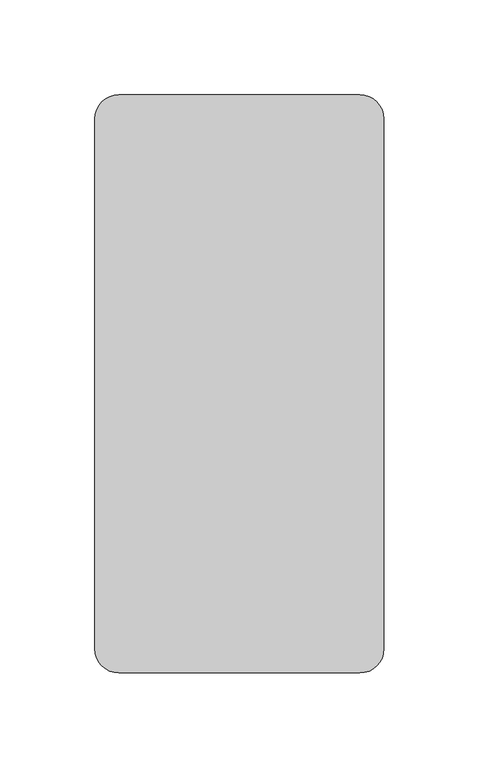
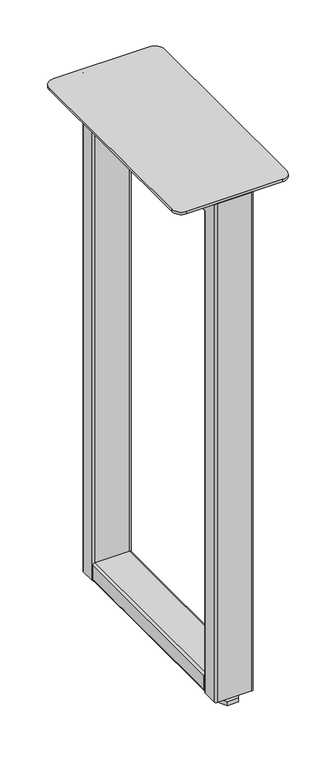
"""IFC4 building model written with IfcOpenShell, lengths in millimetres: furniture geometry."""

from ifc_helpers import new_model, si_unit, point, frame, frame_2d, origin, origin_with_axes, place, context, project, spatial, polyline, circle_curve, ellipse_curve, trimmed, segment, composite_curve, outline, extrude, source, transform, mapped, element, save
from ifc_brep_helpers import plane_surface, cylinder_surface, advanced_brep


def furniture_ec0125d2(model_context):
    return source(origin(), model_context, "Body", "SolidModel", [
        extrude(outline(polyline([(-14.6646979, -41.402), (-7.3323489, -28.7019991), (7.3323489, -28.7019991), (14.6646979, -41.402), (7.3323489, -54.1020009), (-7.3323489, -54.1020009), (-14.6646979, -41.402)])), origin_with_axes(), (0.0, 0.0, 1.0), 5.588),
        extrude(outline(polyline([(-7.3323485, -326.8980001), (-14.6646969, -314.198), (-7.3323485, -301.4979999), (7.3323485, -301.4979999), (14.6646969, -314.198), (7.3323485, -326.8980001), (-7.3323485, -326.8980001)])), origin_with_axes(), (0.0, 0.0, 1.0), 5.588),
        extrude(outline(polyline([(-2.3821625, -318.3240265), (-4.7643251, -314.198), (-2.3821625, -310.0719735), (2.3821625, -310.0719735), (4.7643251, -314.198), (2.3821625, -318.3240265), (-2.3821625, -318.3240265)])), origin_with_axes(), (0.0, 0.0, 1.0), 68.199),
        extrude(outline(polyline([(-4.7588388, -41.402), (-2.3794194, -37.2807247), (2.3794194, -37.2807247), (4.7588388, -41.402), (2.3794194, -45.5232753), (-2.3794194, -45.5232753), (-4.7588388, -41.402)])), origin_with_axes(), (0.0, 0.0, 1.0), 68.199),
        extrude(outline(composite_curve([segment(polyline([(37.2364, 22.6197227), (37.2364, -22.6197227)]), True, "CONTINUOUS"), segment(trimmed(circle_curve(frame_2d((34.4561227, -22.6197227)), 2.7802773), [point((37.2364, -22.6197227))], [point((34.4561227, -25.4))], False, "CARTESIAN"), True, "CONTINUOUS"), segment(polyline([(34.4561227, -25.4), (14.6166773, -25.4)]), True, "CONTINUOUS"), segment(trimmed(circle_curve(frame_2d((14.6166773, -22.6197227)), 2.7802773), [point((14.6166773, -25.4))], [point((11.8364, -22.6197227))], False, "CARTESIAN"), True, "CONTINUOUS"), segment(polyline([(11.8364, -22.6197227), (11.8364, 22.6197227)]), True, "CONTINUOUS"), segment(trimmed(circle_curve(frame_2d((14.6166773, 22.6197227)), 2.7802773), [point((11.8364, 22.6197227))], [point((14.6166773, 25.4))], False, "CARTESIAN"), True, "CONTINUOUS"), segment(polyline([(14.6166773, 25.4), (34.4561227, 25.4)]), True, "CONTINUOUS"), segment(trimmed(circle_curve(frame_2d((34.4561227, 22.6197227)), 2.7802773), [point((34.4561227, 25.4))], [point((37.2364, 22.6197227))], False, "CARTESIAN"), True, "CONTINUOUS")], self_intersect=False)), frame((0.0, -304.8, 0.0), z_axis=(0.0, 1.0, 0.0), x_axis=(0.0, 0.0, 1.0)), (0.0, 0.0, 1.0), 254.0),
        advanced_brep(
        [(22.86, -25.4, 11.8364), (25.4, -27.94, 11.8364), (25.4, -48.26, 11.8364), (22.86, -50.8, 11.8364), (-22.86, -50.8, 11.8364), (-25.4, -48.26, 11.8364), (-25.4, -27.94, 11.8364), (-22.86, -25.4, 11.8364), (22.86, -25.4, 707.7964), (25.4, -27.94, 705.2564), (25.4, -327.66, 705.2564), (25.4, -327.66, 11.8364), (25.4, -307.34, 11.8364), (25.4, -307.34, 684.9364), (25.4, -48.26, 684.9364), (22.86, -50.8, 682.3964), (-22.86, -50.8, 682.3964), (-25.4, -48.26, 684.9364), (-25.4, -307.34, 684.9364), (-25.4, -307.34, 11.8364), (-25.4, -327.66, 11.8364), (-25.4, -327.66, 705.2564), (-25.4, -27.94, 705.2564), (-22.86, -25.4, 707.7964), (22.86, -330.2, 707.7964), (22.86, -304.8, 682.3964), (-22.86, -304.8, 682.3964), (-22.86, -330.2, 707.7964), (22.86, -330.2, 11.8364), (-22.86, -330.2, 11.8364), (-22.86, -304.8, 11.8364), (22.86, -304.8, 11.8364)],
        [
            (0, 1, circle_curve(frame((22.86, -27.94, 11.8364), z_axis=(0.0, 0.0, -1.0), x_axis=(0.0, -1.0, 0.0)), 2.54)),
            (1, 2),
            (2, 3, circle_curve(frame((22.86, -48.26, 11.8364), z_axis=(0.0, 0.0, -1.0), x_axis=(0.0, -1.0, 0.0)), 2.54)),
            (3, 4),
            (4, 5, circle_curve(frame((-22.86, -48.26, 11.8364), z_axis=(0.0, 0.0, -1.0), x_axis=(0.0, -1.0, 0.0)), 2.54)),
            (5, 6),
            (6, 7, circle_curve(frame((-22.86, -27.94, 11.8364), z_axis=(0.0, 0.0, -1.0), x_axis=(0.0, -1.0, 0.0)), 2.54)),
            (7, 0),
            (0, 8),
            (8, 9, ellipse_curve(frame((22.86, -27.94, 705.2564), z_axis=(0.0, 0.7071067811865475, -0.7071067811865475), x_axis=(0.0, -0.7071067811865474, -0.7071067811865476)), 3.5921024, 2.54)),
            (9, 1),
            (9, 10),
            (10, 11),
            (11, 12),
            (12, 13),
            (13, 14),
            (14, 2),
            (14, 15, ellipse_curve(frame((22.86, -48.26, 684.9364), z_axis=(0.0, 0.7071067811865475, -0.7071067811865475), x_axis=(0.0, -0.7071067811865474, -0.7071067811865476)), 3.5921024, 2.54)),
            (15, 3),
            (15, 16),
            (16, 4),
            (16, 17, ellipse_curve(frame((-22.86, -48.26, 684.9364), z_axis=(0.0, 0.7071067811865475, -0.7071067811865475), x_axis=(0.0, -0.7071067811865474, -0.7071067811865476)), 3.5921024, 2.54)),
            (17, 5),
            (17, 18),
            (18, 19),
            (19, 20),
            (20, 21),
            (21, 22),
            (22, 6),
            (22, 23, ellipse_curve(frame((-22.86, -27.94, 705.2564), z_axis=(0.0, 0.7071067811865475, -0.7071067811865475), x_axis=(0.0, -0.7071067811865474, -0.7071067811865476)), 3.5921024, 2.54)),
            (23, 7),
            (23, 8),
            (8, 24),
            (24, 10, ellipse_curve(frame((22.86, -327.66, 705.2564), z_axis=(0.0, 0.7071067811865475, 0.7071067811865475), x_axis=(0.0, 0.7071067811865476, -0.7071067811865474)), 3.5921024, 2.54)),
            (13, 25, ellipse_curve(frame((22.86, -307.34, 684.9364), z_axis=(0.0, 0.7071067811865475, 0.7071067811865475), x_axis=(0.0, 0.7071067811865476, -0.7071067811865474)), 3.5921024, 2.54)),
            (25, 15),
            (25, 26),
            (26, 16),
            (26, 18, ellipse_curve(frame((-22.86, -307.34, 684.9364), z_axis=(0.0, 0.7071067811865475, 0.7071067811865475), x_axis=(0.0, 0.7071067811865476, -0.7071067811865474)), 3.5921024, 2.54)),
            (21, 27, ellipse_curve(frame((-22.86, -327.66, 705.2564), z_axis=(0.0, 0.7071067811865475, 0.7071067811865475), x_axis=(0.0, 0.7071067811865476, -0.7071067811865474)), 3.5921024, 2.54)),
            (27, 23),
            (27, 24),
            (28, 29),
            (29, 20, circle_curve(frame((-22.86, -327.66, 11.8364), z_axis=(0.0, 0.0, -1.0), x_axis=(0.0, 1.0, 0.0)), 2.54)),
            (19, 30, circle_curve(frame((-22.86, -307.34, 11.8364), z_axis=(0.0, 0.0, -1.0), x_axis=(0.0, 1.0, 0.0)), 2.54)),
            (30, 31),
            (31, 12, circle_curve(frame((22.86, -307.34, 11.8364), z_axis=(0.0, 0.0, -1.0), x_axis=(0.0, 1.0, 0.0)), 2.54)),
            (11, 28, circle_curve(frame((22.86, -327.66, 11.8364), z_axis=(0.0, 0.0, -1.0), x_axis=(0.0, 1.0, 0.0)), 2.54)),
            (24, 28),
            (31, 25),
            (30, 26),
            (29, 27),
        ],
        [
            plane_surface(frame((0.0, -25.4, 11.8364), z_axis=(0.0, 0.0, -1.0), x_axis=(1.0, 0.0, 0.0))),
            cylinder_surface(frame((22.86, -27.94, 11.8364), z_axis=(0.0, 0.0, -1.0), x_axis=(0.0, -1.0, 0.0)), 2.54),
            plane_surface(frame((25.4, -27.94, 11.8364), z_axis=(1.0, 0.0, 0.0), x_axis=(0.0, 0.0, 1.0))),
            cylinder_surface(frame((22.86, -48.26, 11.8364), z_axis=(0.0, 0.0, -1.0), x_axis=(0.0, -1.0, 0.0)), 2.54),
            plane_surface(frame((22.86, -50.8, 11.8364), z_axis=(0.0, -1.0, 0.0), x_axis=(0.0, 0.0, 1.0))),
            cylinder_surface(frame((-22.86, -48.26, 11.8364), z_axis=(0.0, 0.0, -1.0), x_axis=(0.0, -1.0, 0.0)), 2.54),
            plane_surface(frame((-25.4, -48.26, 11.8364), z_axis=(-1.0, 0.0, 0.0), x_axis=(0.0, 0.0, 1.0))),
            cylinder_surface(frame((-22.86, -27.94, 11.8364), z_axis=(0.0, 0.0, -1.0), x_axis=(0.0, -1.0, 0.0)), 2.54),
            plane_surface(frame((-22.86, -25.4, 11.8364), z_axis=(0.0, 1.0, 0.0), x_axis=(0.0, 0.0, 1.0))),
            cylinder_surface(frame((22.86, -25.4, 705.2564), z_axis=(0.0, 1.0, 0.0), x_axis=(0.0, 0.0, -1.0)), 2.54),
            cylinder_surface(frame((22.86, -25.4, 684.9364), z_axis=(0.0, 1.0, 0.0), x_axis=(0.0, 0.0, -1.0)), 2.54),
            plane_surface(frame((22.86, -50.8, 682.3964), z_axis=(0.0, 0.0, -1.0), x_axis=(0.0, -1.0, 0.0))),
            cylinder_surface(frame((-22.86, -25.4, 684.9364), z_axis=(0.0, 1.0, 0.0), x_axis=(0.0, 0.0, -1.0)), 2.54),
            cylinder_surface(frame((-22.86, -25.4, 705.2564), z_axis=(0.0, 1.0, 0.0), x_axis=(0.0, 0.0, -1.0)), 2.54),
            plane_surface(frame((-22.86, -25.4, 707.7964), z_axis=(0.0, 0.0, 1.0), x_axis=(0.0, -1.0, 0.0))),
            plane_surface(frame((0.0, -330.2, 11.8364), z_axis=(0.0, 0.0, -1.0), x_axis=(1.0, 0.0, 0.0))),
            cylinder_surface(frame((22.86, -327.66, 707.7964), z_axis=(0.0, 0.0, 1.0), x_axis=(0.0, 1.0, 0.0)), 2.54),
            cylinder_surface(frame((22.86, -307.34, 707.7964), z_axis=(0.0, 0.0, 1.0), x_axis=(0.0, 1.0, 0.0)), 2.54),
            plane_surface(frame((22.86, -304.8, 682.3964), z_axis=(0.0, 1.0, 0.0), x_axis=(0.0, 0.0, -1.0))),
            cylinder_surface(frame((-22.86, -307.34, 707.7964), z_axis=(0.0, 0.0, 1.0), x_axis=(0.0, 1.0, 0.0)), 2.54),
            cylinder_surface(frame((-22.86, -327.66, 707.7964), z_axis=(0.0, 0.0, 1.0), x_axis=(0.0, 1.0, 0.0)), 2.54),
            plane_surface(frame((-22.86, -330.2, 707.7964), z_axis=(0.0, -1.0, 0.0), x_axis=(0.0, 0.0, -1.0))),
        ],
        [
            (0, [[1, 2, 3, 4, 5, 6, 7, 8]]),
            (1, [[-1, 9, 10, 11]]),
            (2, [[-2, -11, 12, 13, 14, 15, 16, 17]]),
            (3, [[-3, -17, 18, 19]]),
            (4, [[-4, -19, 20, 21]]),
            (5, [[-5, -21, 22, 23]]),
            (6, [[-6, -23, 24, 25, 26, 27, 28, 29]]),
            (7, [[-7, -29, 30, 31]]),
            (8, [[-8, -31, 32, -9]]),
            (9, [[-10, 33, 34, -12]]),
            (10, [[-18, -16, 35, 36]]),
            (11, [[-20, -36, 37, 38]]),
            (12, [[-22, -38, 39, -24]]),
            (13, [[-30, -28, 40, 41]]),
            (14, [[-32, -41, 42, -33]]),
            (15, [[43, 44, -26, 45, 46, 47, -14, 48]]),
            (16, [[-34, 49, -48, -13]]),
            (17, [[-35, -15, -47, 50]]),
            (18, [[-37, -50, -46, 51]]),
            (19, [[-39, -51, -45, -25]]),
            (20, [[-40, -27, -44, 52]]),
            (21, [[-42, -52, -43, -49]]),
        ],
    ),
        extrude(outline(composite_curve([segment(polyline([(-63.5000177, -25.4), (63.4999985, -25.4)]), True, "CONTINUOUS"), segment(trimmed(circle_curve(frame_2d((63.4999985, -38.1000015)), 12.7000015), [point((63.4999985, -25.4))], [point((76.2, -38.1000015))], False, "CARTESIAN"), True, "CONTINUOUS"), segment(polyline([(76.2, -38.1000015), (76.2, -317.500007)]), True, "CONTINUOUS"), segment(trimmed(circle_curve(frame_2d((63.500007, -317.500007)), 12.699993), [point((76.2, -317.500007))], [point((63.500007, -330.2))], False, "CARTESIAN"), True, "CONTINUOUS"), segment(polyline([(63.500007, -330.2), (-63.5000313, -330.2)]), True, "CONTINUOUS"), segment(trimmed(circle_curve(frame_2d((-63.5000313, -317.5000313)), 12.6999687), [point((-63.5000313, -330.2))], [point((-76.2, -317.5000313))], False, "CARTESIAN"), True, "CONTINUOUS"), segment(polyline([(-76.2, -317.5000313), (-76.2, -38.0999823)]), True, "CONTINUOUS"), segment(trimmed(circle_curve(frame_2d((-63.5000177, -38.0999823)), 12.6999823), [point((-76.2, -38.0999823))], [point((-63.5000177, -25.4))], False, "CARTESIAN"), True, "CONTINUOUS")], self_intersect=False)), frame((0.0, 0.0, 707.7964), z_axis=(0.0, 0.0, 1.0), x_axis=(1.0, 0.0, 0.0)), (0.0, 0.0, 1.0), 3.4036),
    ])


if __name__ == "__main__":
    model = new_model("IFC4")
    model_context = context("Model", 3, world=origin())
    ifc_project = project(units=[si_unit("LENGTHUNIT", "METRE", prefix="MILLI")], contexts=[model_context])
    site = spatial("IfcSite", under=ifc_project)
    building = spatial("IfcBuilding", under=site)
    placement = place(None, origin())
    furniture_shape = furniture_ec0125d2(model_context)
    element("IfcFurniture", 1, at=placement, inside=building, context=model_context, shape_type="MappedRepresentation", body=[
        mapped(furniture_shape, transform((0.0, 0.0, 0.0), x_axis=(1.0, 0.0, 0.0), y_axis=(0.0, 1.0, 0.0), z_axis=(0.0, 0.0, 1.0))),
    ])
    save(model, "model.ifc")
